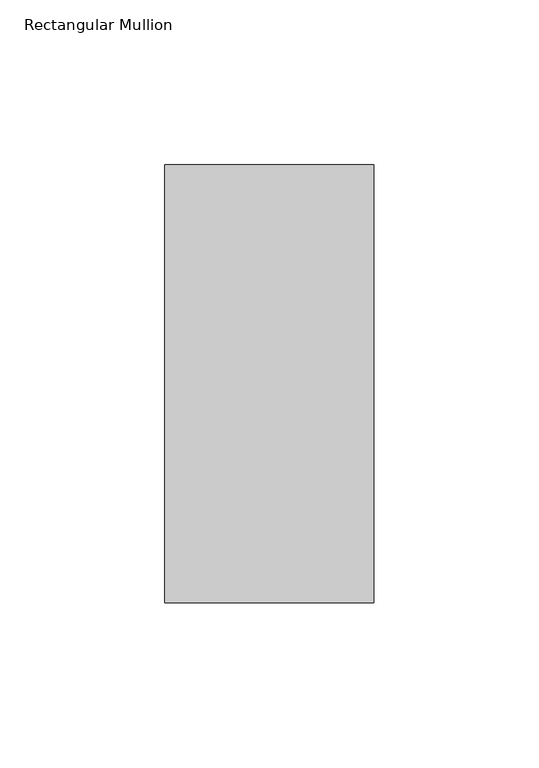
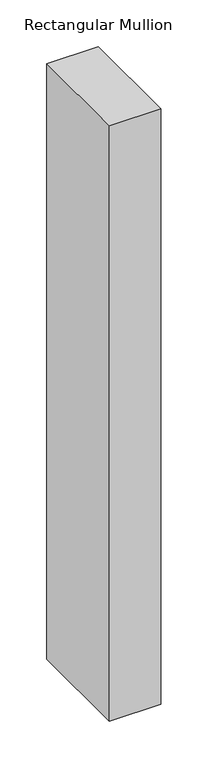
"""IFC4 building model written with IfcOpenShell, lengths in millimetres: member geometry, Rectangular Mullion."""

import ifcopenshell
import ifcopenshell.guid

model = None  # the IFC model being written
_history = None  # IfcOwnerHistory: only IFC2X3 demands one
_inside = {}  # id of a spatial element -> (the spatial element, [elements in it])
_under = {}  # id of a project, library or spatial element -> (it, [spatial elements below it])
_declared = {}  # id of a project -> (the project, [libraries it declares])
_typed = {}  # id of a type object -> (the type object, [elements of that type])
_made_of = {}  # id of a material, layer set ... -> (it, [elements and type objects made of it])


def new_model(schema):
    """Start an empty IFC model of exactly this schema.

    Asked for "IFC4X3", IfcOpenShell would pick the latest addendum, in which some entities
    have other attributes; the version numbers below select the first issue.
    IFC2X3 requires an IfcOwnerHistory on every rooted entity: one is made here for all.
    """
    global model, _history
    if schema == "IFC4X3":
        model = ifcopenshell.file(schema_version=(4, 3, 0, 0))
    else:
        model = ifcopenshell.file(schema=schema)
    _inside.clear()
    _under.clear()
    _declared.clear()
    _typed.clear()
    _made_of.clear()
    _history = None
    if model.schema == "IFC2X3":
        org = make("IfcOrganization", Name="unknown")
        user = make(
            "IfcPersonAndOrganization",
            ThePerson=make("IfcPerson", FamilyName="unknown"),
            TheOrganization=org,
        )
        app = make(
            "IfcApplication",
            ApplicationDeveloper=org,
            Version="unknown",
            ApplicationFullName="unknown",
            ApplicationIdentifier="unknown",
        )
        _history = make(
            "IfcOwnerHistory",
            OwningUser=user,
            OwningApplication=app,
            ChangeAction="ADDED",
            CreationDate=0,
        )
    return model


def make(cls, **values):
    """One entity of the class cls with the attributes given. An attribute that is None is left unset."""
    return model.create_entity(
        cls, **{name: value for name, value in values.items() if value is not None}
    )


def rooted(cls, **values):
    """An entity with a GlobalId (a new one), such as an element, a storey or a relation."""
    return make(cls, GlobalId=ifcopenshell.guid.new(), OwnerHistory=_history, **values)


def si_unit(unit_type, name, prefix=None):
    """IfcSIUnit, for example si_unit("LENGTHUNIT", "METRE", prefix="MILLI")."""
    return make("IfcSIUnit", UnitType=unit_type, Prefix=prefix, Name=name)


def assignment(units):
    """IfcUnitAssignment: the units of a project."""
    return None if units is None else make("IfcUnitAssignment", Units=units)


def point(xyz):
    """IfcCartesianPoint."""
    return None if xyz is None else make("IfcCartesianPoint", Coordinates=xyz)


def direction(xyz):
    """IfcDirection."""
    return None if xyz is None else make("IfcDirection", DirectionRatios=xyz)


def frame(location, z_axis=None, x_axis=None):
    """IfcAxis2Placement3D, a coordinate frame: its origin and axes. An axis left out is left unset."""
    return make(
        "IfcAxis2Placement3D",
        Location=point(location),
        Axis=direction(z_axis),
        RefDirection=direction(x_axis),
    )


def origin():
    """The frame at (0, 0, 0) with its axes left unset."""
    return frame((0.0, 0.0, 0.0))


def place(relative_to, where):
    """IfcLocalPlacement: puts the frame where relative to a parent placement (None: the world)."""
    return make(
        "IfcLocalPlacement", PlacementRelTo=relative_to, RelativePlacement=where
    )


def context(
    kind, dimensions, precision=None, world=None, true_north=None, identifier=None
):
    """IfcGeometricRepresentationContext, for example the 3D "Model" context."""
    return make(
        "IfcGeometricRepresentationContext",
        ContextIdentifier=identifier,
        ContextType=kind,
        CoordinateSpaceDimension=dimensions,
        Precision=precision,
        WorldCoordinateSystem=world,
        TrueNorth=true_north,
    )


def project(units=None, contexts=None):
    """IfcProject with its units and contexts."""
    return rooted(
        "IfcProject",
        Name="project",
        RepresentationContexts=contexts,
        UnitsInContext=assignment(units),
    )


def spatial(cls, under=None, at=None, **own):
    """A site, building, storey or space (cls), placed at a placement, below another one or the project."""
    s = rooted(cls, ObjectPlacement=at, **own)
    if under is not None:
        _under.setdefault(under.id(), (under, []))[1].append(s)
    return s


def polyline(points):
    """IfcPolyline through the points."""
    return make("IfcPolyline", Points=[point(p) for p in points])


def outline(outer, holes=None, kind="AREA"):
    """IfcArbitraryClosedProfileDef: a profile drawn as a closed curve; with holes, ...WithVoids."""
    if holes is None:
        return make("IfcArbitraryClosedProfileDef", ProfileType=kind, OuterCurve=outer)
    return make(
        "IfcArbitraryProfileDefWithVoids",
        ProfileType=kind,
        OuterCurve=outer,
        InnerCurves=holes,
    )


def extrude(swept, where, along, depth):
    """IfcExtrudedAreaSolid: the profile swept, set in the frame where, extruded along a direction by depth."""
    return make(
        "IfcExtrudedAreaSolid",
        SweptArea=swept,
        Position=where,
        ExtrudedDirection=direction(along),
        Depth=depth,
    )


def shape(context_of_items, identifier, shape_type, items):
    """IfcShapeRepresentation: the items that make up one representation, for example the "Body"."""
    return make(
        "IfcShapeRepresentation",
        ContextOfItems=context_of_items,
        RepresentationIdentifier=identifier,
        RepresentationType=shape_type,
        Items=items,
    )


def source(mapping_origin, context_of_items, identifier, shape_type, items):
    """IfcRepresentationMap: a shape defined once, which mapped items show again and again."""
    return make(
        "IfcRepresentationMap",
        MappingOrigin=mapping_origin,
        MappedRepresentation=shape(context_of_items, identifier, shape_type, items),
    )


def transform(
    local_origin,
    x_axis=None,
    y_axis=None,
    z_axis=None,
    scale=None,
    scale2=None,
    scale3=None,
    uniform=True,
):
    """IfcCartesianTransformationOperator3D, or its non-uniform kind. x_axis, y_axis, z_axis: its Axis1, 2, 3."""
    if uniform:
        return make(
            "IfcCartesianTransformationOperator3D",
            Axis1=direction(x_axis),
            Axis2=direction(y_axis),
            LocalOrigin=point(local_origin),
            Scale=scale,
            Axis3=direction(z_axis),
        )
    return make(
        "IfcCartesianTransformationOperator3DnonUniform",
        Axis1=direction(x_axis),
        Axis2=direction(y_axis),
        LocalOrigin=point(local_origin),
        Scale=scale,
        Axis3=direction(z_axis),
        Scale2=scale2,
        Scale3=scale3,
    )


def mapped(mapping_source, mapping_target):
    """IfcMappedItem: shows the shape of a source again, moved by a transform."""
    return make(
        "IfcMappedItem", MappingSource=mapping_source, MappingTarget=mapping_target
    )


def made_of(thing, what):
    """Note that an element or type object is made of a material, layer set ...; save() writes the relation."""
    if what is not None:
        _made_of.setdefault(what.id(), (what, []))[1].append(thing)
    return thing


def element(
    cls,
    number,
    at=None,
    inside=None,
    cuts=None,
    type_object=None,
    material=None,
    context=None,
    identifier="Body",
    shape_type=None,
    held_by="IfcProductDefinitionShape",
    body=None,
    shapes=None,
    **own,
):
    """One element of the class cls, such as IfcWall. Its Tag is "e" and its number.

    at: its placement. inside: the storey or other place that contains it. cuts: it is an
    opening in that element (IfcRelVoidsElement). A single representation is given by context,
    identifier, shape_type and body (its items); several are given by shapes. held_by: the class
    of the entity that holds the representations. save() writes the other relations.
    """
    e = rooted(cls, Tag="e%d" % number, ObjectPlacement=at, **own)
    if body is not None:
        shapes = [shape(context, identifier, shape_type, body)]
    if shapes is not None:
        e.Representation = make(held_by, Representations=shapes)
    if inside is not None:
        _inside.setdefault(inside.id(), (inside, []))[1].append(e)
    if cuts is not None:
        rooted(
            "IfcRelVoidsElement", RelatingBuildingElement=cuts, RelatedOpeningElement=e
        )
    if type_object is not None:
        _typed.setdefault(type_object.id(), (type_object, []))[1].append(e)
    return made_of(e, material)


def aggregate(whole, parts):
    """IfcRelAggregates: a whole, such as a stair, and the parts it consists of."""
    return rooted("IfcRelAggregates", RelatingObject=whole, RelatedObjects=parts)


def save(model, path):
    """Write the relations noted so far, then the file.

    IfcRelAggregates (storeys below a building ...), IfcRelContainedInSpatialStructure (elements
    in a storey), IfcRelDefinesByType, IfcRelAssociatesMaterial and IfcRelDeclares: one each for
    every whole, place, type object, material and project.
    """
    for whole, parts in _under.values():
        aggregate(whole, parts)
    for where, things in _inside.values():
        rooted(
            "IfcRelContainedInSpatialStructure",
            RelatedElements=things,
            RelatingStructure=where,
        )
    for kind, things in _typed.values():
        rooted("IfcRelDefinesByType", RelatedObjects=things, RelatingType=kind)
    for what, things in _made_of.values():
        rooted("IfcRelAssociatesMaterial", RelatedObjects=things, RelatingMaterial=what)
    for by, libraries in _declared.values():
        rooted("IfcRelDeclares", RelatingContext=by, RelatedDefinitions=libraries)
    model.write(path)


def rectangular_mullion_e61e343e(model_context):
    return source(origin(), model_context, "Body", "SweptSolid", [
        extrude(outline(polyline([(31.7499998, 184.2396938), (31.7499998, 51.2960937), (-31.7500002, 51.2960937), (-31.7500002, 184.2396938), (31.7499998, 184.2396938)])), frame((0.0, 0.0, -774.6999999), z_axis=(0.0, 0.0, 1.0), x_axis=(1.0, 0.0, 0.0)), (0.0, 0.0, 1.0), 774.6999999),
    ])


if __name__ == "__main__":
    model = new_model("IFC4")
    model_context = context("Model", 3, world=origin())
    ifc_project = project(units=[si_unit("LENGTHUNIT", "METRE", prefix="MILLI")], contexts=[model_context])
    site = spatial("IfcSite", under=ifc_project)
    building = spatial("IfcBuilding", under=site)
    placement = place(None, origin())
    rectangular_mullion_shape = rectangular_mullion_e61e343e(model_context)
    element("IfcMember", 1, ObjectType="Rectangular Mullion", at=placement, inside=building, context=model_context, shape_type="MappedRepresentation", body=[
        mapped(rectangular_mullion_shape, transform((0.0, 0.0, 0.0), x_axis=(1.0, 0.0, 0.0), y_axis=(0.0, 1.0, 0.0), z_axis=(0.0, 0.0, 1.0))),
    ])
    save(model, "model.ifc")
